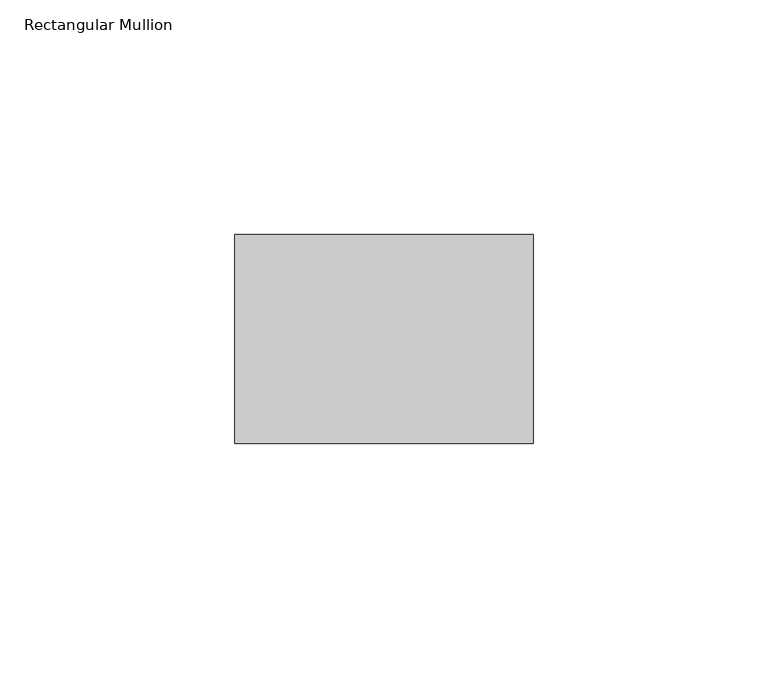
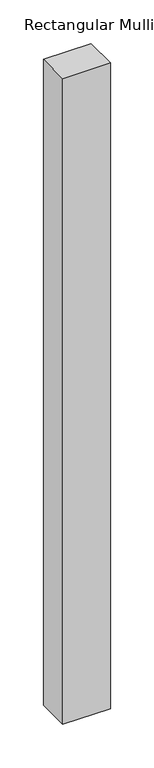
"""IFC4 building model written with IfcOpenShell, lengths in millimetres: member geometry, Rectangular Mullion."""

from ifc_helpers import new_model, si_unit, frame, origin, place, context, project, spatial, polyline, outline, extrude, source, transform, mapped, element, save


def rectangular_mullion_6eed1823(model_context):
    return source(origin(), model_context, "Body", "SweptSolid", [
        extrude(outline(polyline([(0.0, 22.225), (0.0, -22.225), (-63.5, -22.225), (-63.5, 22.225), (0.0, 22.225)])), frame((0.0, 0.0, -904.875), z_axis=(0.0, 0.0, 1.0), x_axis=(1.0, 0.0, 0.0)), (0.0, 0.0, 1.0), 904.875),
    ])


if __name__ == "__main__":
    model = new_model("IFC4")
    model_context = context("Model", 3, world=origin())
    ifc_project = project(units=[si_unit("LENGTHUNIT", "METRE", prefix="MILLI")], contexts=[model_context])
    site = spatial("IfcSite", under=ifc_project)
    building = spatial("IfcBuilding", under=site)
    placement = place(None, origin())
    rectangular_mullion_shape = rectangular_mullion_6eed1823(model_context)
    element("IfcMember", 1, ObjectType="Rectangular Mullion", at=placement, inside=building, context=model_context, shape_type="MappedRepresentation", body=[
        mapped(rectangular_mullion_shape, transform((0.0, 0.0, 0.0), x_axis=(1.0, 0.0, 0.0), y_axis=(0.0, 1.0, 0.0), z_axis=(0.0, 0.0, 1.0))),
    ])
    save(model, "model.ifc")
